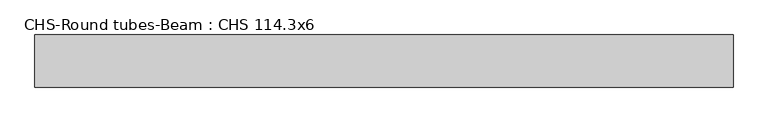
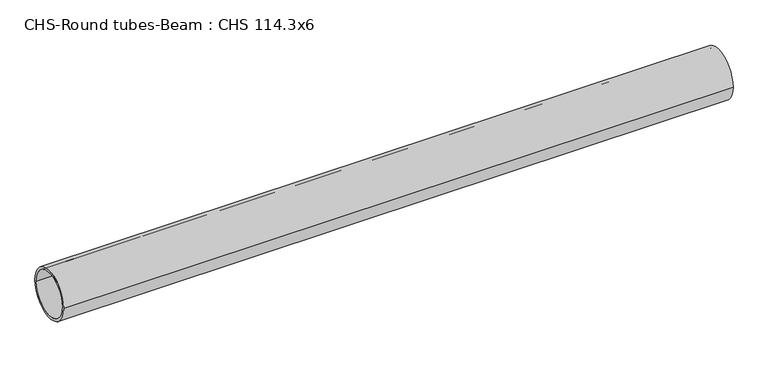
"""IFC4 building model written with IfcOpenShell, lengths in millimetres: beam geometry, CHS-Round tubes-Beam : CHS 114.3x6."""

from ifc_helpers import new_model, si_unit, point, frame, origin, origin_2d, place, context, project, spatial, circle_curve, trimmed, segment, composite_curve, outline, extrude, source, transform, mapped, element, save


def chs_round_tubes_beam_chs_114_3x6_3e3914b8(model_context):
    return source(origin(), model_context, "Body", "SweptSolid", [
        extrude(outline(composite_curve([segment(trimmed(circle_curve(origin_2d(), 57.15), [point((57.15, 0.0))], [point((-57.15, 0.0))], False, "CARTESIAN"), True, "CONTINUOUS"), segment(trimmed(circle_curve(origin_2d(), 57.15), [point((-57.15, 0.0))], [point((57.15, 0.0))], False, "CARTESIAN"), True, "CONTINUOUS")], self_intersect=False), holes=[composite_curve([segment(trimmed(circle_curve(origin_2d(), 51.15), [point((51.15, 0.0))], [point((-51.15, 0.0))], True, "CARTESIAN"), True, "CONTINUOUS"), segment(trimmed(circle_curve(origin_2d(), 51.15), [point((-51.15, 0.0))], [point((51.15, 0.0))], True, "CARTESIAN"), True, "CONTINUOUS")], self_intersect=False)]), frame((-757.6961691, 0.0, 0.0), z_axis=(1.0, 0.0, 0.0), x_axis=(0.0, 1.0, 0.0)), (0.0, 0.0, 1.0), 1531.7210531),
    ])


if __name__ == "__main__":
    model = new_model("IFC4")
    model_context = context("Model", 3, world=origin())
    ifc_project = project(units=[si_unit("LENGTHUNIT", "METRE", prefix="MILLI")], contexts=[model_context])
    site = spatial("IfcSite", under=ifc_project)
    building = spatial("IfcBuilding", under=site)
    placement = place(None, origin())
    chs_round_tubes_beam_chs_114_3x6_shape = chs_round_tubes_beam_chs_114_3x6_3e3914b8(model_context)
    element("IfcBeam", 1, ObjectType="CHS-Round tubes-Beam : CHS 114.3x6", at=placement, inside=building, context=model_context, shape_type="MappedRepresentation", body=[
        mapped(chs_round_tubes_beam_chs_114_3x6_shape, transform((0.0, 0.0, 0.0), x_axis=(1.0, 0.0, 0.0), y_axis=(0.0, 1.0, 0.0), z_axis=(0.0, 0.0, 1.0))),
    ])
    save(model, "model.ifc")
